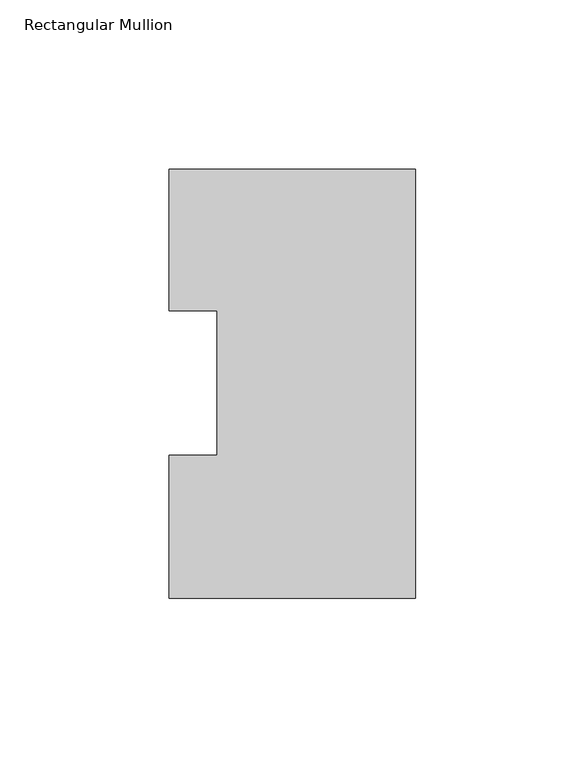
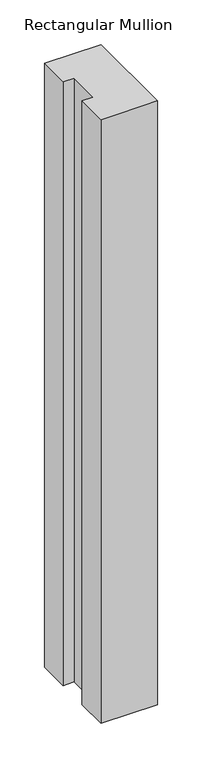
"""IFC4 building model written with IfcOpenShell, lengths in millimetres: member geometry, Rectangular Mullion."""

from ifc_helpers import new_model, si_unit, frame, origin, place, context, project, spatial, polyline, outline, extrude, source, transform, mapped, element, save


def rectangular_mullion_07f05b50(model_context):
    return source(origin(), model_context, "Body", "SweptSolid", [
        extrude(outline(polyline([(0.0, 126.9888875), (0.0, -0.0111125), (-73.025, -0.0111125), (-73.025, 42.2798875), (-58.7375, 42.2798875), (-58.7375, 85.1296875), (-73.025, 85.1296875), (-73.025, 126.9888875), (0.0, 126.9888875)])), frame((0.0, 0.0, -825.5), z_axis=(0.0, 0.0, 1.0), x_axis=(1.0, 0.0, 0.0)), (0.0, 0.0, 1.0), 825.5),
    ])


if __name__ == "__main__":
    model = new_model("IFC4")
    model_context = context("Model", 3, world=origin())
    ifc_project = project(units=[si_unit("LENGTHUNIT", "METRE", prefix="MILLI")], contexts=[model_context])
    site = spatial("IfcSite", under=ifc_project)
    building = spatial("IfcBuilding", under=site)
    placement = place(None, origin())
    rectangular_mullion_shape = rectangular_mullion_07f05b50(model_context)
    element("IfcMember", 1, ObjectType="Rectangular Mullion", at=placement, inside=building, context=model_context, shape_type="MappedRepresentation", body=[
        mapped(rectangular_mullion_shape, transform((0.0, 0.0, 0.0), x_axis=(1.0, 0.0, 0.0), y_axis=(0.0, 1.0, 0.0), z_axis=(0.0, 0.0, 1.0))),
    ])
    save(model, "model.ifc")
